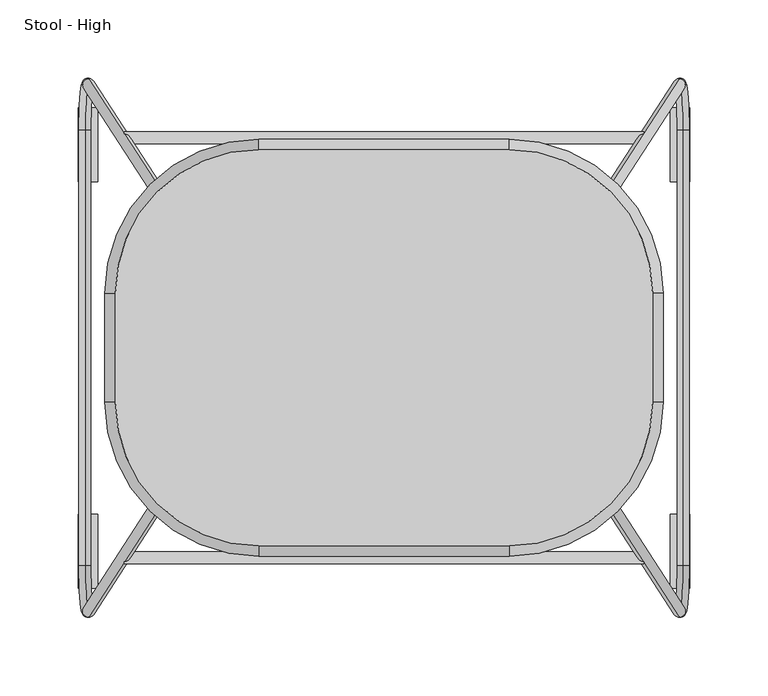
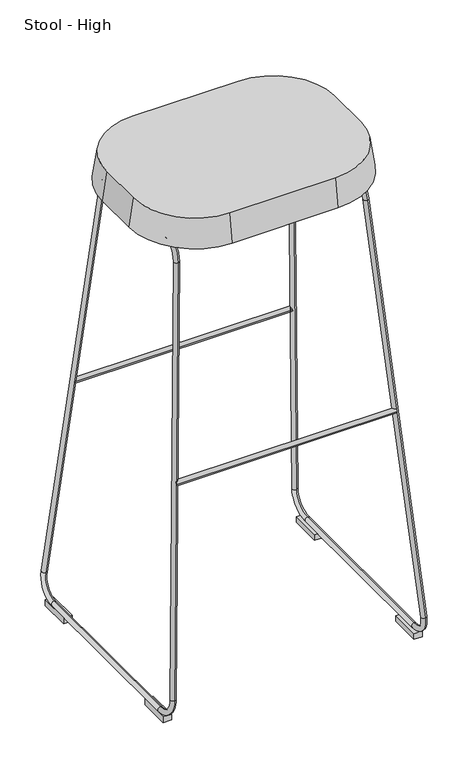
"""IFC4 building model written with IfcOpenShell, lengths in millimetres: furniture geometry, Stool - High."""

import ifcopenshell
import ifcopenshell.guid

model = None  # the IFC model being written
_history = None  # IfcOwnerHistory: only IFC2X3 demands one
_inside = {}  # id of a spatial element -> (the spatial element, [elements in it])
_under = {}  # id of a project, library or spatial element -> (it, [spatial elements below it])
_declared = {}  # id of a project -> (the project, [libraries it declares])
_typed = {}  # id of a type object -> (the type object, [elements of that type])
_made_of = {}  # id of a material, layer set ... -> (it, [elements and type objects made of it])


def new_model(schema):
    """Start an empty IFC model of exactly this schema.

    Asked for "IFC4X3", IfcOpenShell would pick the latest addendum, in which some entities
    have other attributes; the version numbers below select the first issue.
    IFC2X3 requires an IfcOwnerHistory on every rooted entity: one is made here for all.
    """
    global model, _history
    if schema == "IFC4X3":
        model = ifcopenshell.file(schema_version=(4, 3, 0, 0))
    else:
        model = ifcopenshell.file(schema=schema)
    _inside.clear()
    _under.clear()
    _declared.clear()
    _typed.clear()
    _made_of.clear()
    _history = None
    if model.schema == "IFC2X3":
        org = make("IfcOrganization", Name="unknown")
        user = make(
            "IfcPersonAndOrganization",
            ThePerson=make("IfcPerson", FamilyName="unknown"),
            TheOrganization=org,
        )
        app = make(
            "IfcApplication",
            ApplicationDeveloper=org,
            Version="unknown",
            ApplicationFullName="unknown",
            ApplicationIdentifier="unknown",
        )
        _history = make(
            "IfcOwnerHistory",
            OwningUser=user,
            OwningApplication=app,
            ChangeAction="ADDED",
            CreationDate=0,
        )
    return model


def make(cls, **values):
    """One entity of the class cls with the attributes given. An attribute that is None is left unset."""
    return model.create_entity(
        cls, **{name: value for name, value in values.items() if value is not None}
    )


def rooted(cls, **values):
    """An entity with a GlobalId (a new one), such as an element, a storey or a relation."""
    return make(cls, GlobalId=ifcopenshell.guid.new(), OwnerHistory=_history, **values)


def si_unit(unit_type, name, prefix=None):
    """IfcSIUnit, for example si_unit("LENGTHUNIT", "METRE", prefix="MILLI")."""
    return make("IfcSIUnit", UnitType=unit_type, Prefix=prefix, Name=name)


def assignment(units):
    """IfcUnitAssignment: the units of a project."""
    return None if units is None else make("IfcUnitAssignment", Units=units)


def point(xyz):
    """IfcCartesianPoint."""
    return None if xyz is None else make("IfcCartesianPoint", Coordinates=xyz)


def direction(xyz):
    """IfcDirection."""
    return None if xyz is None else make("IfcDirection", DirectionRatios=xyz)


def frame(location, z_axis=None, x_axis=None):
    """IfcAxis2Placement3D, a coordinate frame: its origin and axes. An axis left out is left unset."""
    return make(
        "IfcAxis2Placement3D",
        Location=point(location),
        Axis=direction(z_axis),
        RefDirection=direction(x_axis),
    )


def frame_2d(location, x_axis=None):
    """IfcAxis2Placement2D, a coordinate frame in the plane: its origin and x axis."""
    return make(
        "IfcAxis2Placement2D", Location=point(location), RefDirection=direction(x_axis)
    )


def origin():
    """The frame at (0, 0, 0) with its axes left unset."""
    return frame((0.0, 0.0, 0.0))


def origin_with_axes():
    """The frame at (0, 0, 0) with the z axis (0, 0, 1) and the x axis (1, 0, 0) written out."""
    return frame((0.0, 0.0, 0.0), z_axis=(0.0, 0.0, 1.0), x_axis=(1.0, 0.0, 0.0))


def place(relative_to, where):
    """IfcLocalPlacement: puts the frame where relative to a parent placement (None: the world)."""
    return make(
        "IfcLocalPlacement", PlacementRelTo=relative_to, RelativePlacement=where
    )


def context(
    kind, dimensions, precision=None, world=None, true_north=None, identifier=None
):
    """IfcGeometricRepresentationContext, for example the 3D "Model" context."""
    return make(
        "IfcGeometricRepresentationContext",
        ContextIdentifier=identifier,
        ContextType=kind,
        CoordinateSpaceDimension=dimensions,
        Precision=precision,
        WorldCoordinateSystem=world,
        TrueNorth=true_north,
    )


def project(units=None, contexts=None):
    """IfcProject with its units and contexts."""
    return rooted(
        "IfcProject",
        Name="project",
        RepresentationContexts=contexts,
        UnitsInContext=assignment(units),
    )


def spatial(cls, under=None, at=None, **own):
    """A site, building, storey or space (cls), placed at a placement, below another one or the project."""
    s = rooted(cls, ObjectPlacement=at, **own)
    if under is not None:
        _under.setdefault(under.id(), (under, []))[1].append(s)
    return s


def polyline(points):
    """IfcPolyline through the points."""
    return make("IfcPolyline", Points=[point(p) for p in points])


def circle_curve(where, radius):
    """IfcCircle in the frame where."""
    return make("IfcCircle", Position=where, Radius=radius)


def ellipse_curve(where, semi_axis1, semi_axis2):
    """IfcEllipse in the frame where."""
    return make(
        "IfcEllipse", Position=where, SemiAxis1=semi_axis1, SemiAxis2=semi_axis2
    )


def trimmed(basis, trim1, trim2, sense, master):
    """IfcTrimmedCurve: the piece of a basis curve between two trims."""
    return make(
        "IfcTrimmedCurve",
        BasisCurve=basis,
        Trim1=trim1,
        Trim2=trim2,
        SenseAgreement=sense,
        MasterRepresentation=master,
    )


def segment(curve, same_sense, transition):
    """IfcCompositeCurveSegment."""
    return make(
        "IfcCompositeCurveSegment",
        Transition=transition,
        SameSense=same_sense,
        ParentCurve=curve,
    )


def composite_curve(segments, self_intersect=None):
    """IfcCompositeCurve: segments joined end to end."""
    return make("IfcCompositeCurve", Segments=segments, SelfIntersect=self_intersect)


def outline(outer, holes=None, kind="AREA"):
    """IfcArbitraryClosedProfileDef: a profile drawn as a closed curve; with holes, ...WithVoids."""
    if holes is None:
        return make("IfcArbitraryClosedProfileDef", ProfileType=kind, OuterCurve=outer)
    return make(
        "IfcArbitraryProfileDefWithVoids",
        ProfileType=kind,
        OuterCurve=outer,
        InnerCurves=holes,
    )


def extrude(swept, where, along, depth):
    """IfcExtrudedAreaSolid: the profile swept, set in the frame where, extruded along a direction by depth."""
    return make(
        "IfcExtrudedAreaSolid",
        SweptArea=swept,
        Position=where,
        ExtrudedDirection=direction(along),
        Depth=depth,
    )


def shape(context_of_items, identifier, shape_type, items):
    """IfcShapeRepresentation: the items that make up one representation, for example the "Body"."""
    return make(
        "IfcShapeRepresentation",
        ContextOfItems=context_of_items,
        RepresentationIdentifier=identifier,
        RepresentationType=shape_type,
        Items=items,
    )


def source(mapping_origin, context_of_items, identifier, shape_type, items):
    """IfcRepresentationMap: a shape defined once, which mapped items show again and again."""
    return make(
        "IfcRepresentationMap",
        MappingOrigin=mapping_origin,
        MappedRepresentation=shape(context_of_items, identifier, shape_type, items),
    )


def transform(
    local_origin,
    x_axis=None,
    y_axis=None,
    z_axis=None,
    scale=None,
    scale2=None,
    scale3=None,
    uniform=True,
):
    """IfcCartesianTransformationOperator3D, or its non-uniform kind. x_axis, y_axis, z_axis: its Axis1, 2, 3."""
    if uniform:
        return make(
            "IfcCartesianTransformationOperator3D",
            Axis1=direction(x_axis),
            Axis2=direction(y_axis),
            LocalOrigin=point(local_origin),
            Scale=scale,
            Axis3=direction(z_axis),
        )
    return make(
        "IfcCartesianTransformationOperator3DnonUniform",
        Axis1=direction(x_axis),
        Axis2=direction(y_axis),
        LocalOrigin=point(local_origin),
        Scale=scale,
        Axis3=direction(z_axis),
        Scale2=scale2,
        Scale3=scale3,
    )


def mapped(mapping_source, mapping_target):
    """IfcMappedItem: shows the shape of a source again, moved by a transform."""
    return make(
        "IfcMappedItem", MappingSource=mapping_source, MappingTarget=mapping_target
    )


def made_of(thing, what):
    """Note that an element or type object is made of a material, layer set ...; save() writes the relation."""
    if what is not None:
        _made_of.setdefault(what.id(), (what, []))[1].append(thing)
    return thing


def element(
    cls,
    number,
    at=None,
    inside=None,
    cuts=None,
    type_object=None,
    material=None,
    context=None,
    identifier="Body",
    shape_type=None,
    held_by="IfcProductDefinitionShape",
    body=None,
    shapes=None,
    **own,
):
    """One element of the class cls, such as IfcWall. Its Tag is "e" and its number.

    at: its placement. inside: the storey or other place that contains it. cuts: it is an
    opening in that element (IfcRelVoidsElement). A single representation is given by context,
    identifier, shape_type and body (its items); several are given by shapes. held_by: the class
    of the entity that holds the representations. save() writes the other relations.
    """
    e = rooted(cls, Tag="e%d" % number, ObjectPlacement=at, **own)
    if body is not None:
        shapes = [shape(context, identifier, shape_type, body)]
    if shapes is not None:
        e.Representation = make(held_by, Representations=shapes)
    if inside is not None:
        _inside.setdefault(inside.id(), (inside, []))[1].append(e)
    if cuts is not None:
        rooted(
            "IfcRelVoidsElement", RelatingBuildingElement=cuts, RelatedOpeningElement=e
        )
    if type_object is not None:
        _typed.setdefault(type_object.id(), (type_object, []))[1].append(e)
    return made_of(e, material)


def aggregate(whole, parts):
    """IfcRelAggregates: a whole, such as a stair, and the parts it consists of."""
    return rooted("IfcRelAggregates", RelatingObject=whole, RelatedObjects=parts)


def save(model, path):
    """Write the relations noted so far, then the file.

    IfcRelAggregates (storeys below a building ...), IfcRelContainedInSpatialStructure (elements
    in a storey), IfcRelDefinesByType, IfcRelAssociatesMaterial and IfcRelDeclares: one each for
    every whole, place, type object, material and project.
    """
    for whole, parts in _under.values():
        aggregate(whole, parts)
    for where, things in _inside.values():
        rooted(
            "IfcRelContainedInSpatialStructure",
            RelatedElements=things,
            RelatingStructure=where,
        )
    for kind, things in _typed.values():
        rooted("IfcRelDefinesByType", RelatedObjects=things, RelatingType=kind)
    for what, things in _made_of.values():
        rooted("IfcRelAssociatesMaterial", RelatedObjects=things, RelatingMaterial=what)
    for by, libraries in _declared.values():
        rooted("IfcRelDeclares", RelatingContext=by, RelatedDefinitions=libraries)
    model.write(path)


def plane_surface(at):
    """IfcPlane: the flat surface through the origin of the frame at, square to its z axis."""
    return make("IfcPlane", Position=at)


def cylinder_surface(at, radius):
    """IfcCylindricalSurface: all points at the distance radius from the z axis of the frame at."""
    return make("IfcCylindricalSurface", Position=at, Radius=radius)


def revolved_surface(curve, axis_point, axis_direction):
    """IfcSurfaceOfRevolution: the curve turned about the line through axis_point along axis_direction."""
    return make(
        "IfcSurfaceOfRevolution",
        SweptCurve=make("IfcArbitraryOpenProfileDef", ProfileType="CURVE", Curve=curve),
        AxisPosition=make("IfcAxis1Placement", Location=point(axis_point), Axis=direction(axis_direction)),
    )


def advanced_brep(points, edges, surfaces, faces):
    """IfcAdvancedBrep: a solid bounded by faces that lie on surfaces and meet in shared edges.

    An edge is (start, end): straight between two places in points (the first is 0);
    or (start, end, curve); or (start, end, curve, False) where it runs against its curve.
    A face is (place in surfaces, loops), or (place, loops, False) where it looks against
    its surface's normal. A loop lists edges by number (the first is 1), with a minus sign
    where the edge is run from its end to its start. The first loop is the outer one.
    """
    corners = [point(p) for p in points]
    vertices = [make("IfcVertexPoint", VertexGeometry=c) for c in corners]
    made = []
    for start, end, *more in edges:
        made.append(
            make(
                "IfcEdgeCurve",
                EdgeStart=vertices[start],
                EdgeEnd=vertices[end],
                EdgeGeometry=more[0] if more else make("IfcPolyline", Points=[corners[start], corners[end]]),
                SameSense=more[1] if len(more) > 1 else True,
            )
        )
    hull = []
    for where, loops, *sense in faces:
        bounds = []
        for j, loop in enumerate(loops):
            ring = [make("IfcOrientedEdge", EdgeElement=made[abs(k) - 1], Orientation=k > 0) for k in loop]
            bounds.append(
                make(
                    "IfcFaceOuterBound" if j == 0 else "IfcFaceBound",
                    Bound=make("IfcEdgeLoop", EdgeList=ring),
                    Orientation=True,
                )
            )
        hull.append(make("IfcAdvancedFace", Bounds=bounds, FaceSurface=surfaces[where], SameSense=sense[0] if sense else True))
    return make("IfcAdvancedBrep", Outer=make("IfcClosedShell", CfsFaces=hull))


def stool_high_77eb3852(model_context):
    return source(origin(), model_context, "Body", "SolidModel", [
        extrude(outline(composite_curve([segment(trimmed(circle_curve(frame_2d((-134.3392785, 359.3328814)), 3.8643329), [point((-138.2036115, 359.3328814))], [point((-130.4749456, 359.3328814))], False, "CARTESIAN"), True, "CONTINUOUS"), segment(trimmed(circle_curve(frame_2d((-134.3392785, 359.3328814)), 3.8643329), [point((-130.4749456, 359.3328814))], [point((-138.2036115, 359.3328814))], False, "CARTESIAN"), True, "CONTINUOUS")], self_intersect=False)), frame((-166.2553498, 0.0, 0.0), z_axis=(1.0, 0.0, 0.0), x_axis=(0.0, 1.0, 0.0)), (0.0, 0.0, 1.0), 332.5459748),
        extrude(outline(composite_curve([segment(trimmed(circle_curve(frame_2d((134.3392785, 359.3328814)), 3.8643329), [point((130.4749456, 359.3328814))], [point((138.2036115, 359.3328814))], False, "CARTESIAN"), True, "CONTINUOUS"), segment(trimmed(circle_curve(frame_2d((134.3392785, 359.3328814)), 3.8643329), [point((138.2036115, 359.3328814))], [point((130.4749456, 359.3328814))], False, "CARTESIAN"), True, "CONTINUOUS")], self_intersect=False)), frame((-166.2553498, 0.0, 0.0), z_axis=(1.0, 0.0, 0.0), x_axis=(0.0, 1.0, 0.0)), (0.0, 0.0, 1.0), 332.5459748),
        advanced_brep(
        [(140.8567394, -69.6460532, 711.4858027), (141.3278148, -69.6460532, 703.6533505), (-140.8567394, -69.6460532, 711.4858027), (-141.3278148, -69.6460532, 703.6533505)],
        [
            (0, 1, circle_curve(frame((141.0922771, -69.6460532, 707.5695766), z_axis=(0.9981962390833726, 0.0, 0.0600355584617176), x_axis=(0.0600355584617176, 0.0, -0.9981962390833726)), 3.9233028)),
            (1, 0, circle_curve(frame((141.0922771, -69.6460532, 707.5695766), z_axis=(0.9981962390833726, 0.0, 0.0600355584617176), x_axis=(0.0600355584617176, 0.0, -0.9981962390833726)), 3.9233028)),
            (2, 3, circle_curve(frame((-141.0922771, -69.6460532, 707.5695766), z_axis=(-0.9981962390833747, 0.0, 0.060035558461683555), x_axis=(-0.060035558461683555, 0.0, -0.9981962390833747)), 3.9233028)),
            (3, 2, circle_curve(frame((-141.0922771, -69.6460532, 707.5695766), z_axis=(-0.9981962390833747, 0.0, 0.060035558461683555), x_axis=(-0.060035558461683555, 0.0, -0.9981962390833747)), 3.9233028)),
            (3, 1, circle_curve(frame((0.0, -69.6460532, 3053.475636), z_axis=(0.0, -1.0, 0.0), x_axis=(0.0600355584617176, 0.0, -0.9981962390833726)), 2354.0684622)),
            (0, 2, circle_curve(frame((0.0, -69.6460532, 3053.475636), z_axis=(0.0, 1.0, 0.0), x_axis=(0.0600355584617176, 0.0, -0.9981962390833726)), 2346.2218566)),
        ],
        [
            plane_surface(frame((141.1466707, 0.0, 706.6651883), z_axis=(0.9981962390833727, 0.0, 0.060035558461717604), x_axis=(0.0, -1.0, 0.0))),
            plane_surface(frame((-141.1466707, 0.0, 706.6651883), z_axis=(-0.9981962390833747, 0.0, 0.06003555846168356), x_axis=(0.0, -1.0, 0.0))),
            revolved_surface(trimmed(ellipse_curve(frame((141.0922771, -69.6460532, 707.5695766), z_axis=(0.9981962390833726, 0.0, 0.0600355584617176), x_axis=(0.0600355584617176, 0.0, -0.9981962390833726)), 3.9233028, 3.9233028), [point((140.8567394, -69.6460532, 711.4858027))], [point((141.3278148, -69.6460532, 703.6533505))], True, "CARTESIAN"), (0.0, 0.0, 3053.475636), (0.0, 1.0, 0.0)),
            revolved_surface(trimmed(ellipse_curve(frame((141.0922771, -69.6460532, 707.5695766), z_axis=(0.9981962390833726, 0.0, 0.0600355584617176), x_axis=(0.0600355584617176, 0.0, -0.9981962390833726)), 3.9233028, 3.9233028), [point((141.3278148, -69.6460532, 703.6533505))], [point((140.8567394, -69.6460532, 711.4858027))], True, "CARTESIAN"), (0.0, 0.0, 3053.475636), (0.0, 1.0, 0.0)),
        ],
        [
            (0, [[1, 2]]),
            (1, [[3, 4]]),
            (2, [[5, -1, 6, -4]]),
            (3, [[-6, -2, -5, -3]]),
        ],
    ),
        advanced_brep(
        [(140.8567394, 61.0883878, 711.4858027), (141.3278148, 61.0883878, 703.6533505), (-140.8567394, 61.0883878, 711.4858027), (-141.3278148, 61.0883878, 703.6533505)],
        [
            (0, 1, circle_curve(frame((141.0922771, 61.0883878, 707.5695766), z_axis=(0.9981962390833726, 0.0, 0.0600355584617176), x_axis=(0.0600355584617176, 0.0, -0.9981962390833726)), 3.9233028)),
            (1, 0, circle_curve(frame((141.0922771, 61.0883878, 707.5695766), z_axis=(0.9981962390833726, 0.0, 0.0600355584617176), x_axis=(0.0600355584617176, 0.0, -0.9981962390833726)), 3.9233028)),
            (2, 3, circle_curve(frame((-141.0922771, 61.0883878, 707.5695766), z_axis=(-0.9981962390833747, 0.0, 0.060035558461683555), x_axis=(-0.060035558461683555, 0.0, -0.9981962390833747)), 3.9233028)),
            (3, 2, circle_curve(frame((-141.0922771, 61.0883878, 707.5695766), z_axis=(-0.9981962390833747, 0.0, 0.060035558461683555), x_axis=(-0.060035558461683555, 0.0, -0.9981962390833747)), 3.9233028)),
            (3, 1, circle_curve(frame((0.0, 61.0883878, 3053.475636), z_axis=(0.0, -1.0, 0.0), x_axis=(0.0600355584617176, 0.0, -0.9981962390833726)), 2354.0684622)),
            (0, 2, circle_curve(frame((0.0, 61.0883878, 3053.475636), z_axis=(0.0, 1.0, 0.0), x_axis=(0.0600355584617176, 0.0, -0.9981962390833726)), 2346.2218566)),
        ],
        [
            plane_surface(frame((141.1466707, 0.0, 706.6651883), z_axis=(0.9981962390833727, 0.0, 0.060035558461717604), x_axis=(0.0, -1.0, 0.0))),
            plane_surface(frame((-141.1466707, 0.0, 706.6651883), z_axis=(-0.9981962390833747, 0.0, 0.06003555846168356), x_axis=(0.0, -1.0, 0.0))),
            revolved_surface(trimmed(ellipse_curve(frame((141.0922771, 61.0883878, 707.5695766), z_axis=(0.9981962390833726, 0.0, 0.0600355584617176), x_axis=(0.0600355584617176, 0.0, -0.9981962390833726)), 3.9233028, 3.9233028), [point((140.8567394, 61.0883878, 711.4858027))], [point((141.3278148, 61.0883878, 703.6533505))], True, "CARTESIAN"), (0.0, 0.0, 3053.475636), (0.0, 1.0, 0.0)),
            revolved_surface(trimmed(ellipse_curve(frame((141.0922771, 61.0883878, 707.5695766), z_axis=(0.9981962390833726, 0.0, 0.0600355584617176), x_axis=(0.0600355584617176, 0.0, -0.9981962390833726)), 3.9233028, 3.9233028), [point((141.3278148, 61.0883878, 703.6533505))], [point((140.8567394, 61.0883878, 711.4858027))], True, "CARTESIAN"), (0.0, 0.0, 3053.475636), (0.0, 1.0, 0.0)),
        ],
        [
            (0, [[1, 2]]),
            (1, [[3, 4]]),
            (2, [[5, -1, 6, -4]]),
            (3, [[-6, -2, -5, -3]]),
        ],
    ),
        advanced_brep(
        [(189.0251842, 172.3669079, 43.6361928), (191.6711433, 139.4457291, 6.9499124), (191.1151757, 139.4457291, 14.6584151), (189.086579, 164.6856491, 42.7849531), (143.0249027, 93.5425009, 681.4310979), (142.963508, 101.2237597, 682.2823376), (140.8438137, 68.3025809, 711.6719452), (141.3997813, 68.3025809, 703.9634425), (141.3997813, -68.3025809, 703.9634425), (140.8438137, -68.3025809, 711.6719452), (142.963508, -101.2237597, 682.2823376), (143.0249027, -93.5425009, 681.4310979), (189.086579, -164.6856491, 42.7849531), (189.0251842, -172.3669079, 43.6361928), (191.6711433, -139.4457291, 6.9499124), (191.1151757, -139.4457291, 14.6584151)],
        [
            (0, 1, circle_curve(frame((189.2883166, 139.4457291, 39.9878564), z_axis=(-0.9974091721151543, 0.0, -0.07193707931631962), x_axis=(0.07193707931631962, 0.0, -0.9974091721151543)), 33.123762)),
            (1, 2, circle_curve(frame((191.3931595, 139.4457291, 10.8041637), z_axis=(0.0, 1.0, 0.0), x_axis=(-0.0719370793163196, 0.0, 0.9974091721151543)), 3.864263)),
            (2, 3, circle_curve(frame((189.2883166, 139.4457291, 39.9878564), z_axis=(0.9974091721151543, 0.0, 0.07193707931631962), x_axis=(0.07193707931631962, 0.0, -0.9974091721151543)), 25.395236)),
            (3, 0, circle_curve(frame((189.0558816, 168.5262785, 43.2105729), z_axis=(0.07149711583528118, 0.11042867568855079, -0.9913090688644531), x_axis=(0.007943916401803443, -0.9938840513790694, -0.11014257399629031)), 3.864263)),
            (2, 1, circle_curve(frame((191.3931595, 139.4457291, 10.8041637), z_axis=(0.0, 1.0, 0.0), x_axis=(-0.0719370793163196, 0.0, 0.9974091721151543)), 3.864263)),
            (0, 3, circle_curve(frame((189.0558816, 168.5262785, 43.2105729), z_axis=(0.07149711583528118, 0.11042867568855123, -0.9913090688644531), x_axis=(0.007943916401803475, -0.9938840513790694, -0.11014257399629075)), 3.864263)),
            (3, 4),
            (4, 5, circle_curve(frame((142.9942053, 97.3831303, 681.8567177), z_axis=(0.07149711583528126, 0.11042867568855086, -0.9913090688644532), x_axis=(0.007943916401803447, -0.9938840513790695, -0.11014257399629038)), 3.864263)),
            (5, 0),
            (5, 4, circle_curve(frame((142.9942053, 97.3831303, 681.8567177), z_axis=(0.07149711583528126, 0.11042867568855086, -0.9913090688644532), x_axis=(0.007943916401803447, -0.9938840513790695, -0.11014257399629038)), 3.864263)),
            (6, 5, circle_curve(frame((143.2266404, 68.3025809, 678.6340012), z_axis=(-0.9974091721151543, 0.0, -0.07193707931631962), x_axis=(-0.007943916401803313, 0.9938840513790697, 0.11014257399628892)), 33.123762)),
            (4, 7, circle_curve(frame((143.2266404, 68.3025809, 678.6340012), z_axis=(0.9974091721151543, 0.0, 0.07193707931631962), x_axis=(-0.007943916401803313, 0.9938840513790697, 0.11014257399628892)), 25.395236)),
            (7, 6, circle_curve(frame((141.1217975, 68.3025809, 707.8176939), z_axis=(0.0, 1.0, 0.0), x_axis=(0.07193707931631964, 0.0, -0.9974091721151543)), 3.864263)),
            (6, 7, circle_curve(frame((141.1217975, 68.3025809, 707.8176939), z_axis=(0.0, 1.0, 0.0), x_axis=(0.07193707931631962, 0.0, -0.9974091721151542)), 3.864263)),
            (7, 8),
            (8, 9, circle_curve(frame((141.1217975, -68.3025809, 707.8176939), z_axis=(0.0, 1.0, 0.0), x_axis=(0.07193707931631965, 0.0, -0.9974091721151543)), 3.864263)),
            (9, 6),
            (9, 8, circle_curve(frame((141.1217975, -68.3025809, 707.8176939), z_axis=(0.0, 1.0, 0.0), x_axis=(0.07193707931631965, 0.0, -0.9974091721151543)), 3.864263)),
            (10, 9, circle_curve(frame((143.2266404, -68.3025809, 678.6340012), z_axis=(-0.9974091721151543, 0.0, -0.07193707931631962), x_axis=(-0.07193707931631962, 0.0, 0.9974091721151543)), 33.123762)),
            (8, 11, circle_curve(frame((143.2266404, -68.3025809, 678.6340012), z_axis=(0.9974091721151543, 0.0, 0.07193707931631962), x_axis=(-0.07193707931631962, 0.0, 0.9974091721151543)), 25.395236)),
            (11, 10, circle_curve(frame((142.9942053, -97.3831303, 681.8567177), z_axis=(-0.07149711583528122, 0.11042867568855574, 0.9913090688644527), x_axis=(0.007943916401803799, 0.993884051379069, -0.11014257399629525)), 3.864263)),
            (10, 11, circle_curve(frame((142.9942053, -97.3831303, 681.8567177), z_axis=(-0.07149711583528123, 0.11042867568855398, 0.9913090688644528), x_axis=(0.007943916401803672, 0.9938840513790691, -0.1101425739962935)), 3.864263)),
            (11, 12),
            (12, 13, circle_curve(frame((189.0558816, -168.5262785, 43.2105729), z_axis=(-0.07149711583528134, 0.11042867568855075, 0.9913090688644532), x_axis=(0.007943916401803431, 0.9938840513790695, -0.11014257399629027)), 3.864263)),
            (13, 10),
            (13, 12, circle_curve(frame((189.0558816, -168.5262785, 43.2105729), z_axis=(-0.07149711583528134, 0.11042867568855075, 0.9913090688644532), x_axis=(0.007943916401803431, 0.9938840513790695, -0.11014257399629027)), 3.864263)),
            (14, 13, circle_curve(frame((189.2883166, -139.4457291, 39.9878564), z_axis=(-0.9974091721151543, 0.0, -0.07193707931631962), x_axis=(-0.007943916401803856, -0.9938840513790689, 0.11014257399629643)), 33.123762)),
            (12, 15, circle_curve(frame((189.2883166, -139.4457291, 39.9878564), z_axis=(0.9974091721151543, 0.0, 0.07193707931631962), x_axis=(-0.007943916401803856, -0.9938840513790689, 0.11014257399629643)), 25.395236)),
            (15, 14, circle_curve(frame((191.3931595, -139.4457291, 10.8041637), z_axis=(0.0, -1.0, 0.0), x_axis=(-0.07193707931631962, 0.0, 0.9974091721151543)), 3.864263)),
            (14, 15, circle_curve(frame((191.3931595, -139.4457291, 10.8041637), z_axis=(0.0, -1.0000000000000002, 0.0), x_axis=(-0.07193707931631962, 0.0, 0.9974091721151543)), 3.864263)),
            (15, 2),
            (1, 14),
        ],
        [
            revolved_surface(trimmed(ellipse_curve(frame((191.3931595, 139.4457291, 10.8041637), z_axis=(0.0, -1.0, 0.0), x_axis=(-0.0719370793163196, 0.0, 0.9974091721151543)), 3.864263, 3.864263), [point((191.1151757, 139.4457291, 14.6584151))], [point((191.6711433, 139.4457291, 6.9499124))], True, "CARTESIAN"), (189.4809729, 139.4457291, 40.0017515), (0.9974091721151543, 0.0, 0.07193707931631962)),
            revolved_surface(trimmed(ellipse_curve(frame((191.3931595, 139.4457291, 10.8041637), z_axis=(0.0, -1.0, 0.0), x_axis=(-0.0719370793163196, 0.0, 0.9974091721151543)), 3.864263, 3.864263), [point((191.6711433, 139.4457291, 6.9499124))], [point((191.1151757, 139.4457291, 14.6584151))], True, "CARTESIAN"), (189.4809729, 139.4457291, 40.0017515), (0.9974091721151543, 0.0, 0.07193707931631962)),
            cylinder_surface(frame((189.0558816, 168.5262785, 43.2105729), z_axis=(0.07149711583528126, 0.11042867568855086, -0.9913090688644532), x_axis=(0.007943916401803447, -0.9938840513790695, -0.11014257399629038)), 3.864263),
            revolved_surface(trimmed(ellipse_curve(frame((142.9942053, 97.3831303, 681.8567177), z_axis=(0.07149711583528119, 0.11042867568854949, -0.9913090688644534), x_axis=(0.00794391640180334, -0.9938840513790697, -0.11014257399628902)), 3.864263, 3.864263), [point((143.0249027, 93.5425009, 681.4310979))], [point((142.963508, 101.2237597, 682.2823376))], True, "CARTESIAN"), (143.4192967, 68.3025809, 678.6478963), (0.9974091721151543, 0.0, 0.07193707931631962)),
            revolved_surface(trimmed(ellipse_curve(frame((142.9942053, 97.3831303, 681.8567177), z_axis=(0.07149711583528119, 0.11042867568854949, -0.9913090688644534), x_axis=(0.00794391640180334, -0.9938840513790697, -0.11014257399628902)), 3.864263, 3.864263), [point((142.963508, 101.2237597, 682.2823376))], [point((143.0249027, 93.5425009, 681.4310979))], True, "CARTESIAN"), (143.4192967, 68.3025809, 678.6478963), (0.9974091721151543, 0.0, 0.07193707931631962)),
            cylinder_surface(frame((141.1217975, 68.3025809, 707.8176939), z_axis=(0.0, 1.0, 0.0), x_axis=(0.07193707931631965, 0.0, -0.9974091721151543)), 3.864263),
            revolved_surface(trimmed(ellipse_curve(frame((141.1217975, -68.3025809, 707.8176939), z_axis=(0.0, 1.0, 0.0), x_axis=(0.07193707931631965, 0.0, -0.9974091721151543)), 3.864263, 3.864263), [point((141.3997813, -68.3025809, 703.9634425))], [point((140.8438137, -68.3025809, 711.6719452))], True, "CARTESIAN"), (143.4192967, -68.3025809, 678.6478963), (0.9974091721151543, 0.0, 0.07193707931631962)),
            revolved_surface(trimmed(ellipse_curve(frame((141.1217975, -68.3025809, 707.8176939), z_axis=(0.0, 1.0, 0.0), x_axis=(0.07193707931631965, 0.0, -0.9974091721151543)), 3.864263, 3.864263), [point((140.8438137, -68.3025809, 711.6719452))], [point((141.3997813, -68.3025809, 703.9634425))], True, "CARTESIAN"), (143.4192967, -68.3025809, 678.6478963), (0.9974091721151543, 0.0, 0.07193707931631962)),
            cylinder_surface(frame((142.9942053, -97.3831303, 681.8567177), z_axis=(-0.07149711583528134, 0.11042867568855075, 0.9913090688644532), x_axis=(0.007943916401803431, 0.9938840513790695, -0.11014257399629027)), 3.864263),
            revolved_surface(trimmed(ellipse_curve(frame((189.0558816, -168.5262785, 43.2105729), z_axis=(-0.0714971158352812, 0.11042867568855688, 0.9913090688644526), x_axis=(0.007943916401803872, 0.9938840513790689, -0.11014257399629639)), 3.864263, 3.864263), [point((189.086579, -164.6856491, 42.7849531))], [point((189.0251842, -172.3669079, 43.6361928))], True, "CARTESIAN"), (189.4809729, -139.4457291, 40.0017515), (0.9974091721151543, 0.0, 0.07193707931631962)),
            revolved_surface(trimmed(ellipse_curve(frame((189.0558816, -168.5262785, 43.2105729), z_axis=(-0.0714971158352812, 0.11042867568855688, 0.9913090688644526), x_axis=(0.007943916401803872, 0.9938840513790689, -0.11014257399629639)), 3.864263, 3.864263), [point((189.0251842, -172.3669079, 43.6361928))], [point((189.086579, -164.6856491, 42.7849531))], True, "CARTESIAN"), (189.4809729, -139.4457291, 40.0017515), (0.9974091721151543, 0.0, 0.07193707931631962)),
            cylinder_surface(frame((191.3931595, -139.4457291, 10.8041637), z_axis=(0.0, -1.0000000000000002, 0.0), x_axis=(-0.07193707931631961, 0.0, 0.9974091721151545)), 3.864263),
        ],
        [
            (0, [[1, 2, 3, 4]]),
            (1, [[-3, 5, -1, 6]]),
            (2, [[-4, 7, 8, 9]]),
            (2, [[-6, -9, 10, -7]]),
            (3, [[11, -8, 12, 13]]),
            (4, [[-12, -10, -11, 14]]),
            (5, [[-13, 15, 16, 17]]),
            (5, [[-14, -17, 18, -15]]),
            (6, [[19, -16, 20, 21]]),
            (7, [[-20, -18, -19, 22]]),
            (8, [[-21, 23, 24, 25]]),
            (8, [[-22, -25, 26, -23]]),
            (9, [[27, -24, 28, 29]]),
            (10, [[-28, -26, -27, 30]]),
            (11, [[-29, 31, -2, 32]]),
            (11, [[-30, -32, -5, -31]]),
        ],
    ),
        advanced_brep(
        [(-189.0251842, 172.3669079, 43.6361928), (-191.6711433, 139.4457291, 6.9499124), (-191.1151757, 139.4457291, 14.6584151), (-189.086579, 164.6856491, 42.7849531), (-143.0249027, 93.5425009, 681.4310979), (-142.963508, 101.2237597, 682.2823376), (-140.8438137, 68.3025809, 711.6719452), (-141.3997813, 68.3025809, 703.9634425), (-141.3997813, -68.3025809, 703.9634425), (-140.8438137, -68.3025809, 711.6719452), (-142.963508, -101.2237597, 682.2823376), (-143.0249027, -93.5425009, 681.4310979), (-189.086579, -164.6856491, 42.7849531), (-189.0251842, -172.3669079, 43.6361928), (-191.6711433, -139.4457291, 6.9499124), (-191.1151757, -139.4457291, 14.6584151)],
        [
            (0, 1, circle_curve(frame((-189.2883166, 139.4457291, 39.9878564), z_axis=(-0.9974091721151529, 0.0, 0.07193707931634012), x_axis=(-0.07193707931634012, 0.0, -0.9974091721151529)), 33.123762)),
            (1, 2, circle_curve(frame((-191.3931595, 139.4457291, 10.8041637), z_axis=(0.0, 1.0, 0.0), x_axis=(-0.07193707931634016, 0.0, -0.9974091721151529)), 3.864263)),
            (2, 3, circle_curve(frame((-189.2883166, 139.4457291, 39.9878564), z_axis=(0.9974091721151529, 0.0, -0.07193707931634012), x_axis=(-0.07193707931634012, 0.0, -0.9974091721151529)), 25.395236)),
            (3, 0, circle_curve(frame((-189.0558816, 168.5262785, 43.2105729), z_axis=(-0.07149711583530158, 0.11042867568855096, -0.9913090688644517), x_axis=(0.007943916401805648, 0.9938840513790694, 0.11014257399629032)), 3.864263)),
            (2, 1, circle_curve(frame((-191.3931595, 139.4457291, 10.8041637), z_axis=(0.0, 1.0, 0.0), x_axis=(-0.07193707931634016, 0.0, -0.9974091721151529)), 3.864263)),
            (0, 3, circle_curve(frame((-189.0558816, 168.5262785, 43.2105729), z_axis=(-0.07149711583530159, 0.11042867568855073, -0.9913090688644518), x_axis=(0.007943916401805633, 0.9938840513790695, 0.1101425739962901)), 3.864263)),
            (3, 4),
            (4, 5, circle_curve(frame((-142.9942053, 97.3831303, 681.8567177), z_axis=(-0.07149711583530165, 0.11042867568855085, -0.9913090688644518), x_axis=(0.007943916401805636, 0.9938840513790694, 0.11014257399629018)), 3.864263)),
            (5, 0),
            (5, 4, circle_curve(frame((-142.9942053, 97.3831303, 681.8567177), z_axis=(-0.07149711583530165, 0.11042867568855085, -0.9913090688644518), x_axis=(0.007943916401805636, 0.9938840513790694, 0.11014257399629018)), 3.864263)),
            (6, 5, circle_curve(frame((-143.2266404, 68.3025809, 678.6340012), z_axis=(-0.9974091721151529, 0.0, 0.07193707931634012), x_axis=(0.007943916401805659, 0.9938840513790695, 0.11014257399628988)), 33.123762)),
            (4, 7, circle_curve(frame((-143.2266404, 68.3025809, 678.6340012), z_axis=(0.9974091721151529, 0.0, -0.07193707931634012), x_axis=(0.007943916401805659, 0.9938840513790695, 0.11014257399628988)), 25.395236)),
            (7, 6, circle_curve(frame((-141.1217975, 68.3025809, 707.8176939), z_axis=(0.0, 1.0, 0.0), x_axis=(0.0719370793163401, 0.0, 0.9974091721151529)), 3.864263)),
            (6, 7, circle_curve(frame((-141.1217975, 68.3025809, 707.8176939), z_axis=(0.0, 1.0, 0.0), x_axis=(0.07193707931634008, 0.0, 0.9974091721151529)), 3.864263)),
            (7, 8),
            (8, 9, circle_curve(frame((-141.1217975, -68.3025809, 707.8176939), z_axis=(0.0, 1.0, 0.0), x_axis=(0.0719370793163401, 0.0, 0.9974091721151529)), 3.864263)),
            (9, 6),
            (9, 8, circle_curve(frame((-141.1217975, -68.3025809, 707.8176939), z_axis=(0.0, 1.0, 0.0), x_axis=(0.0719370793163401, 0.0, 0.9974091721151529)), 3.864263)),
            (10, 9, circle_curve(frame((-143.2266404, -68.3025809, 678.6340012), z_axis=(-0.9974091721151529, 0.0, 0.07193707931634012), x_axis=(0.07193707931634012, 0.0, 0.9974091721151529)), 33.123762)),
            (8, 11, circle_curve(frame((-143.2266404, -68.3025809, 678.6340012), z_axis=(0.9974091721151529, 0.0, -0.07193707931634012), x_axis=(0.07193707931634012, 0.0, 0.9974091721151529)), 25.395236)),
            (11, 10, circle_curve(frame((-142.9942053, -97.3831303, 681.8567177), z_axis=(0.07149711583530163, 0.11042867568854522, 0.9913090688644524), x_axis=(0.007943916401805251, -0.9938840513790701, 0.1101425739962846)), 3.864263)),
            (10, 11, circle_curve(frame((-142.9942053, -97.3831303, 681.8567177), z_axis=(0.07149711583530156, 0.11042867568855405, 0.9913090688644514), x_axis=(0.007943916401805886, -0.9938840513790691, 0.1101425739962934)), 3.864263)),
            (11, 12),
            (12, 13, circle_curve(frame((-189.0558816, -168.5262785, 43.2105729), z_axis=(0.07149711583530168, 0.11042867568855082, 0.9913090688644518), x_axis=(0.007943916401805638, -0.9938840513790694, 0.11014257399629016)), 3.864263)),
            (13, 10),
            (13, 12, circle_curve(frame((-189.0558816, -168.5262785, 43.2105729), z_axis=(0.07149711583530168, 0.11042867568855082, 0.9913090688644518), x_axis=(0.007943916401805638, -0.9938840513790694, 0.11014257399629016)), 3.864263)),
            (14, 13, circle_curve(frame((-189.2883166, -139.4457291, 39.9878564), z_axis=(-0.9974091721151529, 0.0, 0.07193707931634012), x_axis=(0.00794391640180612, -0.9938840513790689, 0.11014257399629628)), 33.123762)),
            (12, 15, circle_curve(frame((-189.2883166, -139.4457291, 39.9878564), z_axis=(0.9974091721151529, 0.0, -0.07193707931634012), x_axis=(0.00794391640180612, -0.9938840513790689, 0.11014257399629628)), 25.395236)),
            (15, 14, circle_curve(frame((-191.3931595, -139.4457291, 10.8041637), z_axis=(0.0, -1.0, 0.0), x_axis=(-0.07193707931634016, 0.0, -0.9974091721151529)), 3.864263)),
            (14, 15, circle_curve(frame((-191.3931595, -139.4457291, 10.8041637), z_axis=(0.0, -1.0, 0.0), x_axis=(-0.07193707931634016, 0.0, -0.9974091721151529)), 3.864263)),
            (15, 2),
            (1, 14),
        ],
        [
            revolved_surface(trimmed(ellipse_curve(frame((-191.3931595, 139.4457291, 10.8041637), z_axis=(0.0, -1.0, 0.0), x_axis=(-0.07193707931634016, 0.0, -0.9974091721151529)), 3.864263, 3.864263), [point((-191.1151757, 139.4457291, 14.6584151))], [point((-191.6711433, 139.4457291, 6.9499124))], True, "CARTESIAN"), (-189.4809729, 139.4457291, 40.0017515), (0.9974091721151529, 0.0, -0.07193707931634012)),
            revolved_surface(trimmed(ellipse_curve(frame((-191.3931595, 139.4457291, 10.8041637), z_axis=(0.0, -1.0, 0.0), x_axis=(-0.07193707931634016, 0.0, -0.9974091721151529)), 3.864263, 3.864263), [point((-191.6711433, 139.4457291, 6.9499124))], [point((-191.1151757, 139.4457291, 14.6584151))], True, "CARTESIAN"), (-189.4809729, 139.4457291, 40.0017515), (0.9974091721151529, 0.0, -0.07193707931634012)),
            cylinder_surface(frame((-189.0558816, 168.5262785, 43.2105729), z_axis=(-0.07149711583530165, 0.11042867568855085, -0.9913090688644518), x_axis=(0.007943916401805636, 0.9938840513790694, 0.11014257399629018)), 3.864263),
            revolved_surface(trimmed(ellipse_curve(frame((-142.9942053, 97.3831303, 681.8567177), z_axis=(-0.07149711583530152, 0.11042867568855048, -0.9913090688644518), x_axis=(0.007943916401805614, 0.9938840513790695, 0.11014257399628984)), 3.864263, 3.864263), [point((-143.0249027, 93.5425009, 681.4310979))], [point((-142.963508, 101.2237597, 682.2823376))], True, "CARTESIAN"), (-143.4192967, 68.3025809, 678.6478963), (0.9974091721151529, 0.0, -0.07193707931634012)),
            revolved_surface(trimmed(ellipse_curve(frame((-142.9942053, 97.3831303, 681.8567177), z_axis=(-0.07149711583530152, 0.11042867568855048, -0.9913090688644518), x_axis=(0.007943916401805614, 0.9938840513790695, 0.11014257399628984)), 3.864263, 3.864263), [point((-142.963508, 101.2237597, 682.2823376))], [point((-143.0249027, 93.5425009, 681.4310979))], True, "CARTESIAN"), (-143.4192967, 68.3025809, 678.6478963), (0.9974091721151529, 0.0, -0.07193707931634012)),
            cylinder_surface(frame((-141.1217975, 68.3025809, 707.8176939), z_axis=(0.0, 1.0, 0.0), x_axis=(0.0719370793163401, 0.0, 0.9974091721151529)), 3.864263),
            revolved_surface(trimmed(ellipse_curve(frame((-141.1217975, -68.3025809, 707.8176939), z_axis=(0.0, 1.0, 0.0), x_axis=(0.0719370793163401, 0.0, 0.9974091721151529)), 3.864263, 3.864263), [point((-141.3997813, -68.3025809, 703.9634425))], [point((-140.8438137, -68.3025809, 711.6719452))], True, "CARTESIAN"), (-143.4192967, -68.3025809, 678.6478963), (0.9974091721151529, 0.0, -0.07193707931634012)),
            revolved_surface(trimmed(ellipse_curve(frame((-141.1217975, -68.3025809, 707.8176939), z_axis=(0.0, 1.0, 0.0), x_axis=(0.0719370793163401, 0.0, 0.9974091721151529)), 3.864263, 3.864263), [point((-140.8438137, -68.3025809, 711.6719452))], [point((-141.3997813, -68.3025809, 703.9634425))], True, "CARTESIAN"), (-143.4192967, -68.3025809, 678.6478963), (0.9974091721151529, 0.0, -0.07193707931634012)),
            cylinder_surface(frame((-142.9942053, -97.3831303, 681.8567177), z_axis=(0.07149711583530168, 0.11042867568855082, 0.9913090688644518), x_axis=(0.007943916401805638, -0.9938840513790694, 0.11014257399629016)), 3.864263),
            revolved_surface(trimmed(ellipse_curve(frame((-189.0558816, -168.5262785, 43.2105729), z_axis=(0.07149711583530155, 0.1104286756885569, 0.9913090688644511), x_axis=(0.00794391640180608, -0.9938840513790689, 0.11014257399629623)), 3.864263, 3.864263), [point((-189.086579, -164.6856491, 42.7849531))], [point((-189.0251842, -172.3669079, 43.6361928))], True, "CARTESIAN"), (-189.4809729, -139.4457291, 40.0017515), (0.9974091721151529, 0.0, -0.07193707931634012)),
            revolved_surface(trimmed(ellipse_curve(frame((-189.0558816, -168.5262785, 43.2105729), z_axis=(0.07149711583530155, 0.1104286756885569, 0.9913090688644511), x_axis=(0.00794391640180608, -0.9938840513790689, 0.11014257399629623)), 3.864263, 3.864263), [point((-189.0251842, -172.3669079, 43.6361928))], [point((-189.086579, -164.6856491, 42.7849531))], True, "CARTESIAN"), (-189.4809729, -139.4457291, 40.0017515), (0.9974091721151529, 0.0, -0.07193707931634012)),
            cylinder_surface(frame((-191.3931595, -139.4457291, 10.8041637), z_axis=(0.0, -1.0000000000000002, 0.0), x_axis=(-0.07193707931634018, 0.0, -0.997409172115153)), 3.864263),
        ],
        [
            (0, [[1, 2, 3, 4]]),
            (1, [[-3, 5, -1, 6]]),
            (2, [[-4, 7, 8, 9]]),
            (2, [[-6, -9, 10, -7]]),
            (3, [[11, -8, 12, 13]]),
            (4, [[-12, -10, -11, 14]]),
            (5, [[-13, 15, 16, 17]]),
            (5, [[-14, -17, 18, -15]]),
            (6, [[19, -16, 20, 21]]),
            (7, [[-20, -18, -19, 22]]),
            (8, [[-21, 23, 24, 25]]),
            (8, [[-22, -25, 26, -23]]),
            (9, [[27, -24, 28, 29]]),
            (10, [[-28, -26, -27, 30]]),
            (11, [[-29, 31, -2, 32]]),
            (11, [[-30, -32, -5, -31]]),
        ],
    ),
        extrude(outline(polyline([(-182.9972239, 153.805517), (-182.9972239, 106.3039016), (-195.6901083, 106.3039016), (-195.6901083, 153.805517), (-182.9972239, 153.805517)])), origin_with_axes(), (0.0, 0.0, 1.0), 8.9773602),
        extrude(outline(polyline([(182.9972239, 153.805517), (195.6901083, 153.805517), (195.6901083, 106.3039016), (182.9972239, 106.3039016), (182.9972239, 153.805517)])), origin_with_axes(), (0.0, 0.0, 1.0), 8.9773602),
        extrude(outline(polyline([(-182.9972239, -153.805517), (-195.6901083, -153.805517), (-195.6901083, -106.3039016), (-182.9972239, -106.3039016), (-182.9972239, -153.805517)])), origin_with_axes(), (0.0, 0.0, 1.0), 8.9773602),
        extrude(outline(polyline([(182.9972239, -153.805517), (182.9972239, -106.3039016), (195.6901083, -106.3039016), (195.6901083, -153.805517), (182.9972239, -153.805517)])), origin_with_axes(), (0.0, 0.0, 1.0), 8.9773602),
        advanced_brep(
        [(-171.9189031, -34.925, 755.65), (-80.1154768, -126.7284262, 755.65), (80.1154768, -126.7284262, 755.65), (171.9189031, -34.925, 755.65), (171.9189031, 34.925, 755.65), (80.1154768, 126.7284262, 755.65), (-80.1154768, 126.7284262, 755.65), (-171.9189031, 34.925, 755.65), (-178.5135382, -34.925, 711.2250418), (-178.5135382, 34.925, 711.2250418), (-80.1154768, 133.3230614, 711.2250418), (80.1154768, 133.3230614, 711.2250418), (178.5135382, 34.925, 711.2250418), (178.5135382, -34.925, 711.2250418), (80.1154768, -133.3230614, 711.2250418), (-80.1154768, -133.3230614, 711.2250418)],
        [
            (0, 1, circle_curve(frame((-80.1154768, -34.925, 755.65), z_axis=(0.0, 0.0, 1.0), x_axis=(-1.0000000000000002, 0.0, 0.0)), 91.8034262)),
            (1, 2),
            (2, 3, circle_curve(frame((80.1154768, -34.925, 755.65), z_axis=(0.0, 0.0, 1.0), x_axis=(0.0, -1.0000000000000002, 0.0)), 91.8034262)),
            (3, 4),
            (4, 5, circle_curve(frame((80.1154768, 34.925, 755.65), z_axis=(0.0, 0.0, 1.0), x_axis=(1.0000000000000002, 0.0, 0.0)), 91.8034262)),
            (5, 6),
            (6, 7, circle_curve(frame((-80.1154768, 34.925, 755.65), z_axis=(0.0, 0.0, 1.0), x_axis=(0.0, 1.0000000000000002, 0.0)), 91.8034262)),
            (7, 0),
            (8, 9),
            (9, 10, circle_curve(frame((-80.1154768, 34.925, 711.2250418), z_axis=(0.0, 0.0, -1.0), x_axis=(0.0, 1.0000000000000002, 0.0)), 98.3980614)),
            (10, 11),
            (11, 12, circle_curve(frame((80.1154768, 34.925, 711.2250418), z_axis=(0.0, 0.0, -1.0), x_axis=(1.0000000000000002, 0.0, 0.0)), 98.3980614)),
            (12, 13),
            (13, 14, circle_curve(frame((80.1154768, -34.925, 711.2250418), z_axis=(0.0, 0.0, -1.0), x_axis=(0.0, -1.0000000000000002, 0.0)), 98.3980614)),
            (14, 15),
            (15, 8, circle_curve(frame((-80.1154768, -34.925, 711.2250418), z_axis=(0.0, 0.0, -1.0), x_axis=(-1.0000000000000002, 0.0, 0.0)), 98.3980614)),
            (15, 1),
            (0, 8),
            (14, 2),
            (13, 3),
            (12, 4),
            (11, 5),
            (10, 6),
            (9, 7),
        ],
        [
            plane_surface(frame((0.0, 0.0, 755.65), z_axis=(0.0, 0.0, 1.0), x_axis=(1.0, 0.0, 0.0))),
            plane_surface(frame((0.0, 0.0, 711.2250418), z_axis=(0.0, 0.0, -1.0), x_axis=(1.0, 0.0, 0.0))),
            revolved_surface(polyline([(-171.91890304995738, -34.925, 755.65), (-178.5135382, -34.925, 711.2250418)]), (-80.1154768, -34.925, 1374.0865444), (0.0, 0.0, -1.0)),
            plane_surface(frame((0.0, -133.3230614, 711.2250418), z_axis=(0.0, -0.989160943328851, 0.14683537786507003), x_axis=(1.0, 0.0, 0.0))),
            revolved_surface(polyline([(80.1154768, -126.72842624995738, 755.65), (80.1154768, -133.3230614, 711.2250418)]), (80.1154768, -34.925, 1374.0865444), (0.0, 0.0, -1.0)),
            plane_surface(frame((178.5135382, 0.0, 711.2250418), z_axis=(0.9891609433288493, 0.0, 0.14683537786508108), x_axis=(0.0, 1.0, 0.0))),
            revolved_surface(polyline([(171.91890304995738, 34.925, 755.65), (178.5135382, 34.925, 711.2250418)]), (80.1154768, 34.925, 1374.0865444), (0.0, 0.0, -1.0)),
            plane_surface(frame((0.0, 133.3230614, 711.2250418), z_axis=(0.0, 0.9891609433288517, 0.14683537786506412), x_axis=(-1.0, 0.0, 0.0))),
            revolved_surface(polyline([(-80.1154768, 126.72842624995738, 755.65), (-80.1154768, 133.3230614, 711.2250418)]), (-80.1154768, 34.925, 1374.0865444), (0.0, 0.0, -1.0)),
            plane_surface(frame((-178.5135382, 0.0, 711.2250418), z_axis=(-0.989160943328849, 0.0, 0.14683537786508405), x_axis=(0.0, -1.0, 0.0))),
        ],
        [
            (0, [[1, 2, 3, 4, 5, 6, 7, 8]]),
            (1, [[9, 10, 11, 12, 13, 14, 15, 16]]),
            (2, [[-16, 17, -1, 18]]),
            (3, [[-15, 19, -2, -17]]),
            (4, [[-14, 20, -3, -19]]),
            (5, [[-13, 21, -4, -20]]),
            (6, [[-12, 22, -5, -21]]),
            (7, [[-11, 23, -6, -22]]),
            (8, [[-10, 24, -7, -23]]),
            (9, [[-9, -18, -8, -24]]),
        ],
    ),
    ])


if __name__ == "__main__":
    model = new_model("IFC4")
    model_context = context("Model", 3, world=origin())
    ifc_project = project(units=[si_unit("LENGTHUNIT", "METRE", prefix="MILLI")], contexts=[model_context])
    site = spatial("IfcSite", under=ifc_project)
    building = spatial("IfcBuilding", under=site)
    placement = place(None, origin())
    stool_high_shape = stool_high_77eb3852(model_context)
    element("IfcFurniture", 1, ObjectType="Stool - High", at=placement, inside=building, context=model_context, shape_type="MappedRepresentation", body=[
        mapped(stool_high_shape, transform((0.0, 0.0, 0.0), x_axis=(1.0, 0.0, 0.0), y_axis=(0.0, 1.0, 0.0), z_axis=(0.0, 0.0, 1.0))),
    ])
    save(model, "model.ifc")
